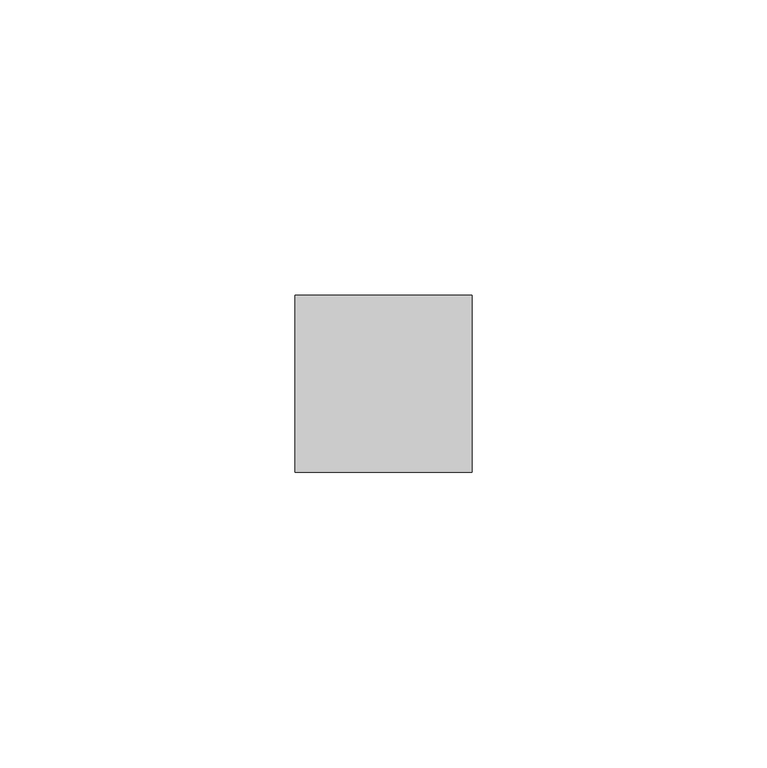
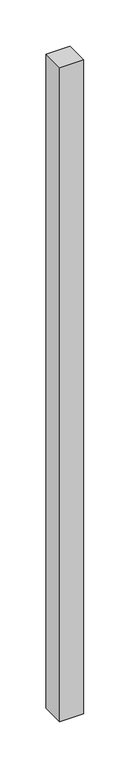
"""IFC4 building model written with IfcOpenShell, lengths in millimetres: member geometry."""

from ifc_helpers import new_model, si_unit, frame, origin, place, context, project, spatial, polyline, outline, extrude, source, transform, mapped, element, save


def member_05fa291c(model_context):
    return source(origin(), model_context, "Body", "SweptSolid", [
        extrude(outline(polyline([(15.0, 15.0), (15.0, -15.0), (-15.0, -15.0), (-15.0, 15.0), (15.0, 15.0)])), frame((0.0, 0.0, -865.4107143), z_axis=(0.0, 0.0, 1.0), x_axis=(1.0, 0.0, 0.0)), (0.0, 0.0, 1.0), 865.4107143),
    ])


if __name__ == "__main__":
    model = new_model("IFC4")
    model_context = context("Model", 3, world=origin())
    ifc_project = project(units=[si_unit("LENGTHUNIT", "METRE", prefix="MILLI")], contexts=[model_context])
    site = spatial("IfcSite", under=ifc_project)
    building = spatial("IfcBuilding", under=site)
    placement = place(None, origin())
    member_shape = member_05fa291c(model_context)
    element("IfcMember", 1, at=placement, inside=building, context=model_context, shape_type="MappedRepresentation", body=[
        mapped(member_shape, transform((0.0, 0.0, 0.0), x_axis=(1.0, 0.0, 0.0), y_axis=(0.0, 1.0, 0.0), z_axis=(0.0, 0.0, 1.0))),
    ])
    save(model, "model.ifc")
